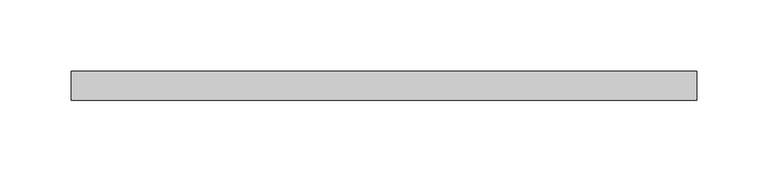
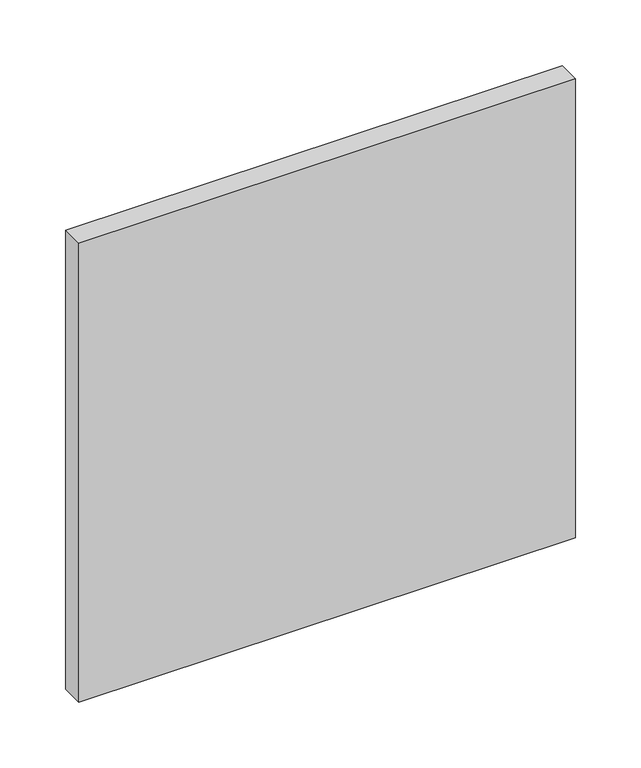
"""IFC4 building model written with IfcOpenShell, lengths in millimetres: plate geometry."""

from ifc_helpers import new_model, si_unit, origin, origin_with_axes, place, context, project, spatial, polyline, outline, extrude, source, transform, mapped, element, save


def plate_9ed614d4(model_context):
    return source(origin(), model_context, "Body", "SweptSolid", [
        extrude(outline(polyline([(218.75, -90.0), (-218.75, -90.0), (-218.75, -70.0), (218.75, -70.0), (218.75, -90.0)])), origin_with_axes(), (0.0, 0.0, 1.0), 427.3076923),
    ])


if __name__ == "__main__":
    model = new_model("IFC4")
    model_context = context("Model", 3, world=origin())
    ifc_project = project(units=[si_unit("LENGTHUNIT", "METRE", prefix="MILLI")], contexts=[model_context])
    site = spatial("IfcSite", under=ifc_project)
    building = spatial("IfcBuilding", under=site)
    placement = place(None, origin())
    plate_shape = plate_9ed614d4(model_context)
    element("IfcPlate", 1, at=placement, inside=building, context=model_context, shape_type="MappedRepresentation", body=[
        mapped(plate_shape, transform((0.0, 0.0, 0.0), x_axis=(1.0, 0.0, 0.0), y_axis=(0.0, 1.0, 0.0), z_axis=(0.0, 0.0, 1.0))),
    ])
    save(model, "model.ifc")
